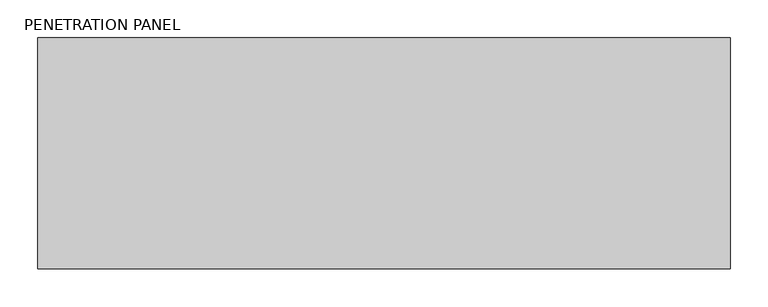
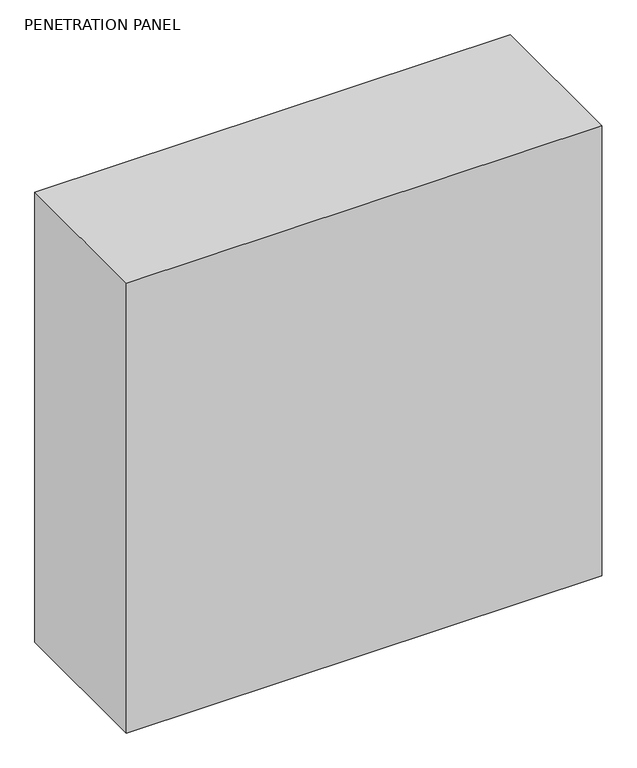
"""IFC4 building model written with IfcOpenShell, lengths in millimetres: proxy geometry, PENETRATION PANEL."""

from ifc_helpers import new_model, si_unit, origin, origin_with_axes, place, context, project, spatial, polyline, outline, extrude, source, transform, mapped, element, save


def penetration_panel_dea1deb9(model_context):
    return source(origin(), model_context, "Body", "SweptSolid", [
        extrude(outline(polyline([(457.2, 304.8040822), (457.2, 0.0), (-457.2, 0.0), (-457.2, 304.8040822), (457.2, 304.8040822)])), origin_with_axes(), (0.0, 0.0, 1.0), 914.4),
    ])


if __name__ == "__main__":
    model = new_model("IFC4")
    model_context = context("Model", 3, world=origin())
    ifc_project = project(units=[si_unit("LENGTHUNIT", "METRE", prefix="MILLI")], contexts=[model_context])
    site = spatial("IfcSite", under=ifc_project)
    building = spatial("IfcBuilding", under=site)
    placement = place(None, origin())
    penetration_panel_shape = penetration_panel_dea1deb9(model_context)
    element("IfcBuildingElementProxy", 1, Name="PENETRATION PANEL", ObjectType="PENETRATION PANEL", at=placement, inside=building, context=model_context, shape_type="MappedRepresentation", body=[
        mapped(penetration_panel_shape, transform((0.0, 0.0, 0.0), x_axis=(1.0, 0.0, 0.0), y_axis=(0.0, 1.0, 0.0), z_axis=(0.0, 0.0, 1.0))),
    ])
    save(model, "model.ifc")
